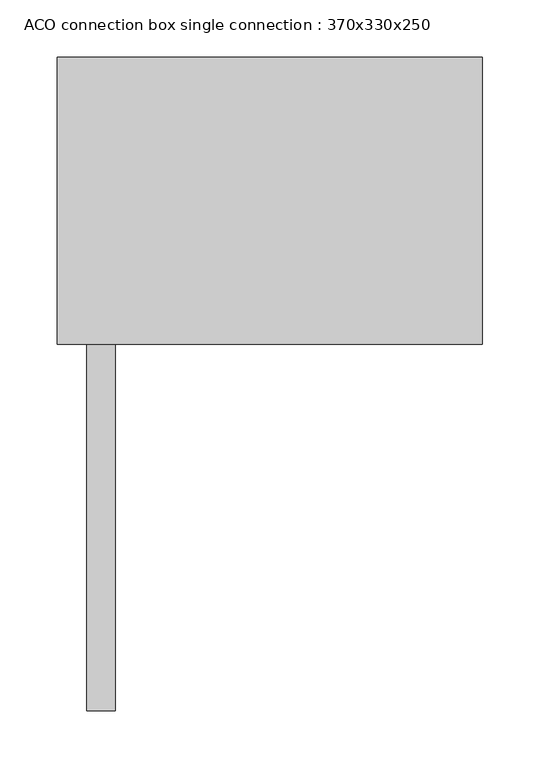
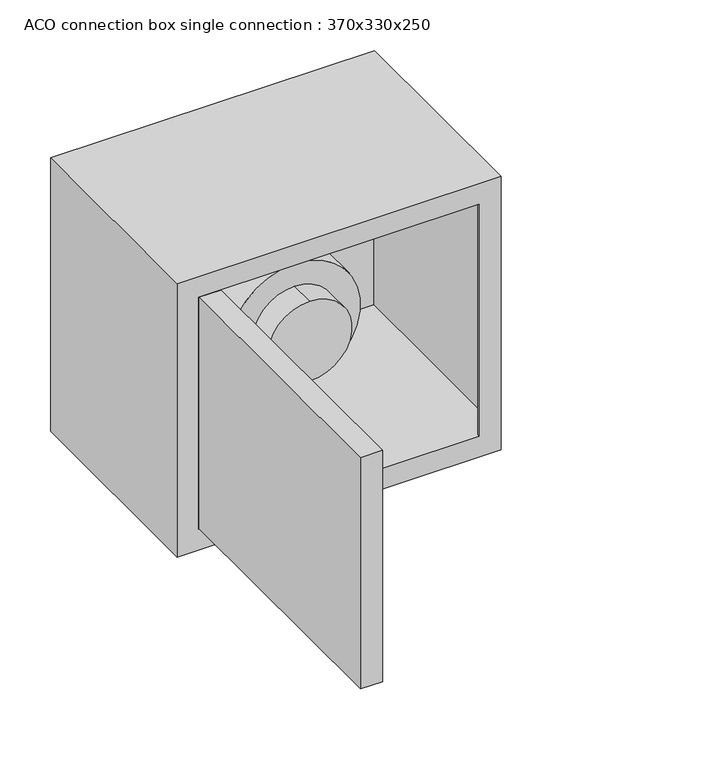
"""IFC4 building model written with IfcOpenShell, lengths in millimetres: furniture geometry, ACO connection box single connection : 370x330x250."""

import ifcopenshell
import ifcopenshell.guid

model = None  # the IFC model being written
_history = None  # IfcOwnerHistory: only IFC2X3 demands one
_inside = {}  # id of a spatial element -> (the spatial element, [elements in it])
_under = {}  # id of a project, library or spatial element -> (it, [spatial elements below it])
_declared = {}  # id of a project -> (the project, [libraries it declares])
_typed = {}  # id of a type object -> (the type object, [elements of that type])
_made_of = {}  # id of a material, layer set ... -> (it, [elements and type objects made of it])


def new_model(schema):
    """Start an empty IFC model of exactly this schema.

    Asked for "IFC4X3", IfcOpenShell would pick the latest addendum, in which some entities
    have other attributes; the version numbers below select the first issue.
    IFC2X3 requires an IfcOwnerHistory on every rooted entity: one is made here for all.
    """
    global model, _history
    if schema == "IFC4X3":
        model = ifcopenshell.file(schema_version=(4, 3, 0, 0))
    else:
        model = ifcopenshell.file(schema=schema)
    _inside.clear()
    _under.clear()
    _declared.clear()
    _typed.clear()
    _made_of.clear()
    _history = None
    if model.schema == "IFC2X3":
        org = make("IfcOrganization", Name="unknown")
        user = make(
            "IfcPersonAndOrganization",
            ThePerson=make("IfcPerson", FamilyName="unknown"),
            TheOrganization=org,
        )
        app = make(
            "IfcApplication",
            ApplicationDeveloper=org,
            Version="unknown",
            ApplicationFullName="unknown",
            ApplicationIdentifier="unknown",
        )
        _history = make(
            "IfcOwnerHistory",
            OwningUser=user,
            OwningApplication=app,
            ChangeAction="ADDED",
            CreationDate=0,
        )
    return model


def make(cls, **values):
    """One entity of the class cls with the attributes given. An attribute that is None is left unset."""
    return model.create_entity(
        cls, **{name: value for name, value in values.items() if value is not None}
    )


def rooted(cls, **values):
    """An entity with a GlobalId (a new one), such as an element, a storey or a relation."""
    return make(cls, GlobalId=ifcopenshell.guid.new(), OwnerHistory=_history, **values)


def si_unit(unit_type, name, prefix=None):
    """IfcSIUnit, for example si_unit("LENGTHUNIT", "METRE", prefix="MILLI")."""
    return make("IfcSIUnit", UnitType=unit_type, Prefix=prefix, Name=name)


def assignment(units):
    """IfcUnitAssignment: the units of a project."""
    return None if units is None else make("IfcUnitAssignment", Units=units)


def point(xyz):
    """IfcCartesianPoint."""
    return None if xyz is None else make("IfcCartesianPoint", Coordinates=xyz)


def direction(xyz):
    """IfcDirection."""
    return None if xyz is None else make("IfcDirection", DirectionRatios=xyz)


def frame(location, z_axis=None, x_axis=None):
    """IfcAxis2Placement3D, a coordinate frame: its origin and axes. An axis left out is left unset."""
    return make(
        "IfcAxis2Placement3D",
        Location=point(location),
        Axis=direction(z_axis),
        RefDirection=direction(x_axis),
    )


def frame_2d(location, x_axis=None):
    """IfcAxis2Placement2D, a coordinate frame in the plane: its origin and x axis."""
    return make(
        "IfcAxis2Placement2D", Location=point(location), RefDirection=direction(x_axis)
    )


def origin():
    """The frame at (0, 0, 0) with its axes left unset."""
    return frame((0.0, 0.0, 0.0))


def place(relative_to, where):
    """IfcLocalPlacement: puts the frame where relative to a parent placement (None: the world)."""
    return make(
        "IfcLocalPlacement", PlacementRelTo=relative_to, RelativePlacement=where
    )


def context(
    kind, dimensions, precision=None, world=None, true_north=None, identifier=None
):
    """IfcGeometricRepresentationContext, for example the 3D "Model" context."""
    return make(
        "IfcGeometricRepresentationContext",
        ContextIdentifier=identifier,
        ContextType=kind,
        CoordinateSpaceDimension=dimensions,
        Precision=precision,
        WorldCoordinateSystem=world,
        TrueNorth=true_north,
    )


def project(units=None, contexts=None):
    """IfcProject with its units and contexts."""
    return rooted(
        "IfcProject",
        Name="project",
        RepresentationContexts=contexts,
        UnitsInContext=assignment(units),
    )


def spatial(cls, under=None, at=None, **own):
    """A site, building, storey or space (cls), placed at a placement, below another one or the project."""
    s = rooted(cls, ObjectPlacement=at, **own)
    if under is not None:
        _under.setdefault(under.id(), (under, []))[1].append(s)
    return s


def polyline(points):
    """IfcPolyline through the points."""
    return make("IfcPolyline", Points=[point(p) for p in points])


def circle_curve(where, radius):
    """IfcCircle in the frame where."""
    return make("IfcCircle", Position=where, Radius=radius)


def trimmed(basis, trim1, trim2, sense, master):
    """IfcTrimmedCurve: the piece of a basis curve between two trims."""
    return make(
        "IfcTrimmedCurve",
        BasisCurve=basis,
        Trim1=trim1,
        Trim2=trim2,
        SenseAgreement=sense,
        MasterRepresentation=master,
    )


def segment(curve, same_sense, transition):
    """IfcCompositeCurveSegment."""
    return make(
        "IfcCompositeCurveSegment",
        Transition=transition,
        SameSense=same_sense,
        ParentCurve=curve,
    )


def composite_curve(segments, self_intersect=None):
    """IfcCompositeCurve: segments joined end to end."""
    return make("IfcCompositeCurve", Segments=segments, SelfIntersect=self_intersect)


def outline(outer, holes=None, kind="AREA"):
    """IfcArbitraryClosedProfileDef: a profile drawn as a closed curve; with holes, ...WithVoids."""
    if holes is None:
        return make("IfcArbitraryClosedProfileDef", ProfileType=kind, OuterCurve=outer)
    return make(
        "IfcArbitraryProfileDefWithVoids",
        ProfileType=kind,
        OuterCurve=outer,
        InnerCurves=holes,
    )


def extrude(swept, where, along, depth):
    """IfcExtrudedAreaSolid: the profile swept, set in the frame where, extruded along a direction by depth."""
    return make(
        "IfcExtrudedAreaSolid",
        SweptArea=swept,
        Position=where,
        ExtrudedDirection=direction(along),
        Depth=depth,
    )


def shape(context_of_items, identifier, shape_type, items):
    """IfcShapeRepresentation: the items that make up one representation, for example the "Body"."""
    return make(
        "IfcShapeRepresentation",
        ContextOfItems=context_of_items,
        RepresentationIdentifier=identifier,
        RepresentationType=shape_type,
        Items=items,
    )


def source(mapping_origin, context_of_items, identifier, shape_type, items):
    """IfcRepresentationMap: a shape defined once, which mapped items show again and again."""
    return make(
        "IfcRepresentationMap",
        MappingOrigin=mapping_origin,
        MappedRepresentation=shape(context_of_items, identifier, shape_type, items),
    )


def transform(
    local_origin,
    x_axis=None,
    y_axis=None,
    z_axis=None,
    scale=None,
    scale2=None,
    scale3=None,
    uniform=True,
):
    """IfcCartesianTransformationOperator3D, or its non-uniform kind. x_axis, y_axis, z_axis: its Axis1, 2, 3."""
    if uniform:
        return make(
            "IfcCartesianTransformationOperator3D",
            Axis1=direction(x_axis),
            Axis2=direction(y_axis),
            LocalOrigin=point(local_origin),
            Scale=scale,
            Axis3=direction(z_axis),
        )
    return make(
        "IfcCartesianTransformationOperator3DnonUniform",
        Axis1=direction(x_axis),
        Axis2=direction(y_axis),
        LocalOrigin=point(local_origin),
        Scale=scale,
        Axis3=direction(z_axis),
        Scale2=scale2,
        Scale3=scale3,
    )


def mapped(mapping_source, mapping_target):
    """IfcMappedItem: shows the shape of a source again, moved by a transform."""
    return make(
        "IfcMappedItem", MappingSource=mapping_source, MappingTarget=mapping_target
    )


def made_of(thing, what):
    """Note that an element or type object is made of a material, layer set ...; save() writes the relation."""
    if what is not None:
        _made_of.setdefault(what.id(), (what, []))[1].append(thing)
    return thing


def element(
    cls,
    number,
    at=None,
    inside=None,
    cuts=None,
    type_object=None,
    material=None,
    context=None,
    identifier="Body",
    shape_type=None,
    held_by="IfcProductDefinitionShape",
    body=None,
    shapes=None,
    **own,
):
    """One element of the class cls, such as IfcWall. Its Tag is "e" and its number.

    at: its placement. inside: the storey or other place that contains it. cuts: it is an
    opening in that element (IfcRelVoidsElement). A single representation is given by context,
    identifier, shape_type and body (its items); several are given by shapes. held_by: the class
    of the entity that holds the representations. save() writes the other relations.
    """
    e = rooted(cls, Tag="e%d" % number, ObjectPlacement=at, **own)
    if body is not None:
        shapes = [shape(context, identifier, shape_type, body)]
    if shapes is not None:
        e.Representation = make(held_by, Representations=shapes)
    if inside is not None:
        _inside.setdefault(inside.id(), (inside, []))[1].append(e)
    if cuts is not None:
        rooted(
            "IfcRelVoidsElement", RelatingBuildingElement=cuts, RelatedOpeningElement=e
        )
    if type_object is not None:
        _typed.setdefault(type_object.id(), (type_object, []))[1].append(e)
    return made_of(e, material)


def aggregate(whole, parts):
    """IfcRelAggregates: a whole, such as a stair, and the parts it consists of."""
    return rooted("IfcRelAggregates", RelatingObject=whole, RelatedObjects=parts)


def save(model, path):
    """Write the relations noted so far, then the file.

    IfcRelAggregates (storeys below a building ...), IfcRelContainedInSpatialStructure (elements
    in a storey), IfcRelDefinesByType, IfcRelAssociatesMaterial and IfcRelDeclares: one each for
    every whole, place, type object, material and project.
    """
    for whole, parts in _under.values():
        aggregate(whole, parts)
    for where, things in _inside.values():
        rooted(
            "IfcRelContainedInSpatialStructure",
            RelatedElements=things,
            RelatingStructure=where,
        )
    for kind, things in _typed.values():
        rooted("IfcRelDefinesByType", RelatedObjects=things, RelatingType=kind)
    for what, things in _made_of.values():
        rooted("IfcRelAssociatesMaterial", RelatedObjects=things, RelatingMaterial=what)
    for by, libraries in _declared.values():
        rooted("IfcRelDeclares", RelatingContext=by, RelatedDefinitions=libraries)
    model.write(path)


def plane_surface(at):
    """IfcPlane: the flat surface through the origin of the frame at, square to its z axis."""
    return make("IfcPlane", Position=at)


def cylinder_surface(at, radius):
    """IfcCylindricalSurface: all points at the distance radius from the z axis of the frame at."""
    return make("IfcCylindricalSurface", Position=at, Radius=radius)


def revolved_surface(curve, axis_point, axis_direction):
    """IfcSurfaceOfRevolution: the curve turned about the line through axis_point along axis_direction."""
    return make(
        "IfcSurfaceOfRevolution",
        SweptCurve=make("IfcArbitraryOpenProfileDef", ProfileType="CURVE", Curve=curve),
        AxisPosition=make("IfcAxis1Placement", Location=point(axis_point), Axis=direction(axis_direction)),
    )


def advanced_brep(points, edges, surfaces, faces):
    """IfcAdvancedBrep: a solid bounded by faces that lie on surfaces and meet in shared edges.

    An edge is (start, end): straight between two places in points (the first is 0);
    or (start, end, curve); or (start, end, curve, False) where it runs against its curve.
    A face is (place in surfaces, loops), or (place, loops, False) where it looks against
    its surface's normal. A loop lists edges by number (the first is 1), with a minus sign
    where the edge is run from its end to its start. The first loop is the outer one.
    """
    corners = [point(p) for p in points]
    vertices = [make("IfcVertexPoint", VertexGeometry=c) for c in corners]
    made = []
    for start, end, *more in edges:
        made.append(
            make(
                "IfcEdgeCurve",
                EdgeStart=vertices[start],
                EdgeEnd=vertices[end],
                EdgeGeometry=more[0] if more else make("IfcPolyline", Points=[corners[start], corners[end]]),
                SameSense=more[1] if len(more) > 1 else True,
            )
        )
    hull = []
    for where, loops, *sense in faces:
        bounds = []
        for j, loop in enumerate(loops):
            ring = [make("IfcOrientedEdge", EdgeElement=made[abs(k) - 1], Orientation=k > 0) for k in loop]
            bounds.append(
                make(
                    "IfcFaceOuterBound" if j == 0 else "IfcFaceBound",
                    Bound=make("IfcEdgeLoop", EdgeList=ring),
                    Orientation=True,
                )
            )
        hull.append(make("IfcAdvancedFace", Bounds=bounds, FaceSurface=surfaces[where], SameSense=sense[0] if sense else True))
    return make("IfcAdvancedBrep", Outer=make("IfcClosedShell", CfsFaces=hull))


def aco_connection_box_single_connection_370x330x250_330b71c9(model_context):
    return source(origin(), model_context, "Body", "SolidModel", [
        extrude(outline(composite_curve([segment(trimmed(circle_curve(frame_2d((175.0, -10.0)), 25.0), [point((150.0, -10.0))], [point((200.0, -10.0))], False, "CARTESIAN"), True, "CONTINUOUS"), segment(trimmed(circle_curve(frame_2d((175.0, -10.0)), 25.0), [point((200.0, -10.0))], [point((150.0, -10.0))], False, "CARTESIAN"), True, "CONTINUOUS")], self_intersect=False)), frame((0.0, 148.0, 0.0), z_axis=(0.0, 1.0, 0.0), x_axis=(0.0, 0.0, 1.0)), (0.0, 0.0, 1.0), 102.0),
        advanced_brep(
        [(-10.0, 148.0, 127.0), (-10.0, 148.0, 223.0), (-10.0, 40.0, 127.0), (-10.0, 40.0, 223.0), (-10.0, 118.0, 223.0), (-10.0, 118.0, 127.0), (-10.0, 70.0, 127.0), (-10.0, 70.0, 223.0), (-10.0, 118.0, 100.0), (-10.0, 118.0, 250.0), (-10.0, 70.0, 100.0), (-10.0, 70.0, 250.0)],
        [
            (0, 1, circle_curve(frame((-10.0, 148.0, 175.0), z_axis=(0.0, 1.0, 0.0), x_axis=(0.0, 0.0, 1.0)), 48.0)),
            (1, 0, circle_curve(frame((-10.0, 148.0, 175.0), z_axis=(0.0, 1.0, 0.0), x_axis=(0.0, 0.0, 1.0)), 48.0)),
            (2, 3, circle_curve(frame((-10.0, 40.0, 175.0), z_axis=(0.0, -1.0, 0.0), x_axis=(0.0, 0.0, 1.0)), 48.0)),
            (3, 2, circle_curve(frame((-10.0, 40.0, 175.0), z_axis=(0.0, -1.0, 0.0), x_axis=(0.0, 0.0, 1.0)), 48.0)),
            (1, 4),
            (4, 5, circle_curve(frame((-10.0, 118.0, 175.0), z_axis=(0.0, 1.0, 0.0), x_axis=(0.0, 0.0, 1.0)), 48.0)),
            (5, 0),
            (2, 6),
            (6, 7, circle_curve(frame((-10.0, 70.0, 175.0), z_axis=(0.0, -1.0, 0.0), x_axis=(0.0, 0.0, 1.0)), 48.0)),
            (7, 3),
            (5, 4, circle_curve(frame((-10.0, 118.0, 175.0), z_axis=(0.0, 1.0, 0.0), x_axis=(0.0, 0.0, 1.0)), 48.0)),
            (7, 6, circle_curve(frame((-10.0, 70.0, 175.0), z_axis=(0.0, -1.0, 0.0), x_axis=(0.0, 0.0, 1.0)), 48.0)),
            (8, 9, circle_curve(frame((-10.0, 118.0, 175.0), z_axis=(0.0, 1.0, 0.0), x_axis=(0.0, 0.0, 1.0)), 75.0)),
            (9, 8, circle_curve(frame((-10.0, 118.0, 175.0), z_axis=(0.0, 1.0, 0.0), x_axis=(0.0, 0.0, 1.0)), 75.0)),
            (10, 11, circle_curve(frame((-10.0, 70.0, 175.0), z_axis=(0.0, -1.0, 0.0), x_axis=(0.0, 0.0, 1.0)), 75.0)),
            (11, 10, circle_curve(frame((-10.0, 70.0, 175.0), z_axis=(0.0, -1.0, 0.0), x_axis=(0.0, 0.0, 1.0)), 75.0)),
            (9, 11),
            (10, 8),
        ],
        [
            plane_surface(frame((-10.0, 148.0, 223.0), z_axis=(0.0, 1.0, 0.0), x_axis=(1.0, 0.0, 0.0))),
            plane_surface(frame((-10.0, 40.0, 223.0), z_axis=(0.0, -1.0, 0.0), x_axis=(-1.0, 0.0, 0.0))),
            cylinder_surface(frame((-10.0, 148.0, 175.0), z_axis=(0.0, -1.0, 0.0), x_axis=(0.0, 0.0, 1.0)), 48.0),
            plane_surface(frame((-10.0, 118.0, 250.0), z_axis=(0.0, 1.0, 0.0), x_axis=(1.0, 0.0, 0.0))),
            plane_surface(frame((-10.0, 70.0, 250.0), z_axis=(0.0, -1.0, 0.0), x_axis=(-1.0, 0.0, 0.0))),
            cylinder_surface(frame((-10.0, 118.0, 175.0), z_axis=(0.0, -1.0, 0.0), x_axis=(0.0, 0.0, 1.0)), 75.0),
        ],
        [
            (0, [[1, 2]]),
            (1, [[3, 4]]),
            (2, [[-2, 5, 6, 7]]),
            (2, [[-3, 8, 9, 10]]),
            (2, [[-1, -7, 11, -5]]),
            (2, [[-4, -10, 12, -8]]),
            (3, [[13, 14], [-6, -11]]),
            (4, [[15, 16], [-9, -12]]),
            (5, [[-14, 17, -15, 18]]),
            (5, [[-13, -18, -16, -17]]),
        ],
    ),
        extrude(outline(polyline([(-159.5, -319.0), (-159.5, 0.0), (-134.5, 0.0), (-134.5, -319.0), (-159.5, -319.0)])), frame((0.0, 0.0, 25.5), z_axis=(0.0, 0.0, 1.0), x_axis=(1.0, 0.0, 0.0)), (0.0, 0.0, 1.0), 279.0),
        advanced_brep(
        [(185.0, 250.0, 330.0), (-185.0, 250.0, 330.0), (-185.0, 0.0, 330.0), (185.0, 0.0, 330.0), (185.0, 250.0, 0.0), (185.0, 0.0, 0.0), (-185.0, 0.0, 0.0), (-185.0, 250.0, 0.0), (-56.0, 250.0, 175.0), (36.0, 250.0, 175.0), (70.0, 250.0, 175.0), (110.0, 250.0, 175.0), (-160.0, 0.0, 305.0), (160.0, 0.0, 305.0), (160.0, 0.0, 25.0), (-160.0, 0.0, 25.0), (183.0, 248.0, 305.0), (183.0, 2.0, 305.0), (160.0, 2.0, 305.0), (-160.0, 2.0, 305.0), (-183.0, 2.0, 305.0), (-183.0, 248.0, 305.0), (183.0, 248.0, 25.0), (-183.0, 248.0, 25.0), (-183.0, 2.0, 25.0), (-160.0, 2.0, 25.0), (160.0, 2.0, 25.0), (183.0, 2.0, 25.0), (36.0, 248.0, 175.0), (-56.0, 248.0, 175.0), (110.0, 248.0, 175.0), (70.0, 248.0, 175.0)],
        [
            (0, 1),
            (1, 2),
            (2, 3),
            (3, 0),
            (4, 5),
            (5, 6),
            (6, 7),
            (7, 4),
            (0, 4),
            (7, 1),
            (8, 9, circle_curve(frame((-10.0, 250.0, 175.0), z_axis=(0.0, -1.0, 0.0), x_axis=(1.0, 0.0, 0.0)), 46.0)),
            (9, 8, circle_curve(frame((-10.0, 250.0, 175.0), z_axis=(0.0, -1.0, 0.0), x_axis=(1.0, 0.0, 0.0)), 46.0)),
            (10, 11, circle_curve(frame((90.0, 250.0, 175.0), z_axis=(0.0, -1.0, 0.0), x_axis=(1.0, 0.0, 0.0)), 20.0)),
            (11, 10, circle_curve(frame((90.0, 250.0, 175.0), z_axis=(0.0, -1.0, 0.0), x_axis=(1.0, 0.0, 0.0)), 20.0)),
            (6, 2),
            (5, 3),
            (12, 13),
            (13, 14),
            (14, 15),
            (15, 12),
            (16, 17),
            (17, 18),
            (18, 13),
            (12, 19),
            (19, 20),
            (20, 21),
            (21, 16),
            (22, 23),
            (23, 24),
            (24, 25),
            (25, 15),
            (14, 26),
            (26, 27),
            (27, 22),
            (21, 23),
            (22, 16),
            (28, 29, circle_curve(frame((-10.0, 248.0, 175.0), z_axis=(0.0, 1.0, 0.0), x_axis=(1.0, 0.0, 0.0)), 46.0)),
            (29, 28, circle_curve(frame((-10.0, 248.0, 175.0), z_axis=(0.0, 1.0, 0.0), x_axis=(1.0, 0.0, 0.0)), 46.0)),
            (30, 31, circle_curve(frame((90.0, 248.0, 175.0), z_axis=(0.0, 1.0, 0.0), x_axis=(1.0, 0.0, 0.0)), 20.0)),
            (31, 30, circle_curve(frame((90.0, 248.0, 175.0), z_axis=(0.0, 1.0, 0.0), x_axis=(1.0, 0.0, 0.0)), 20.0)),
            (27, 17),
            (20, 24),
            (19, 25),
            (18, 26),
            (28, 9),
            (8, 29),
            (30, 11),
            (10, 31),
        ],
        [
            plane_surface(frame((-185.0, 250.0, 330.0), z_axis=(0.0, 0.0, 1.0), x_axis=(-1.0, 0.0, 0.0))),
            plane_surface(frame((-185.0, 250.0, 0.0), z_axis=(0.0, 0.0, -1.0), x_axis=(1.0, 0.0, 0.0))),
            plane_surface(frame((185.0, 250.0, 330.0), z_axis=(0.0, 1.0, 0.0), x_axis=(0.0, 0.0, -1.0))),
            plane_surface(frame((-185.0, 250.0, 330.0), z_axis=(-1.0, 0.0, 0.0), x_axis=(0.0, 0.0, -1.0))),
            plane_surface(frame((-185.0, 0.0, 330.0), z_axis=(0.0, -1.0, 0.0), x_axis=(0.0, 0.0, -1.0))),
            plane_surface(frame((185.0, 0.0, 330.0), z_axis=(1.0, 0.0, 0.0), x_axis=(0.0, 0.0, -1.0))),
            plane_surface(frame((-183.0, 248.0, 305.0), z_axis=(0.0, 0.0, -1.0), x_axis=(-1.0, 0.0, 0.0))),
            plane_surface(frame((-183.0, 248.0, 25.0), z_axis=(0.0, 0.0, 1.0), x_axis=(1.0, 0.0, 0.0))),
            plane_surface(frame((183.0, 248.0, 305.0), z_axis=(0.0, -1.0, 0.0), x_axis=(0.0, 0.0, -1.0))),
            plane_surface(frame((183.0, 2.0, 305.0), z_axis=(-1.0, 0.0, 0.0), x_axis=(0.0, 0.0, -1.0))),
            plane_surface(frame((-183.0, 248.0, 305.0), z_axis=(1.0, 0.0, 0.0), x_axis=(0.0, 0.0, -1.0))),
            plane_surface(frame((-183.0, 2.0, 305.0), z_axis=(0.0, 1.0, 0.0), x_axis=(0.0, 0.0, -1.0))),
            plane_surface(frame((-160.0, 2.0, 305.0), z_axis=(1.0, 0.0, 0.0), x_axis=(0.0, 0.0, -1.0))),
            plane_surface(frame((160.0, 0.0, 305.0), z_axis=(-1.0, 0.0, 0.0), x_axis=(0.0, 0.0, -1.0))),
            plane_surface(frame((160.0, 2.0, 305.0), z_axis=(0.0, 1.0, 0.0), x_axis=(0.0, 0.0, -1.0))),
            revolved_surface(polyline([(36.0, 248.0, 175.0), (36.0, 250.0, 175.0)]), (-10.0, 250.0, 175.0), (0.0, -1.0, 0.0)),
            revolved_surface(polyline([(110.0, 248.0, 175.0), (110.0, 250.0, 175.0)]), (90.0, 250.0, 175.0), (0.0, -1.0, 0.0)),
        ],
        [
            (0, [[1, 2, 3, 4]]),
            (1, [[5, 6, 7, 8]]),
            (2, [[-1, 9, -8, 10], [11, 12], [13, 14]]),
            (3, [[-2, -10, -7, 15]]),
            (4, [[-3, -15, -6, 16], [17, 18, 19, 20]]),
            (5, [[-4, -16, -5, -9]]),
            (6, [[21, 22, 23, -17, 24, 25, 26, 27]]),
            (7, [[28, 29, 30, 31, -19, 32, 33, 34]]),
            (8, [[-27, 35, -28, 36], [37, 38], [39, 40]]),
            (9, [[-21, -36, -34, 41]]),
            (10, [[-26, 42, -29, -35]]),
            (11, [[-25, 43, -30, -42]]),
            (12, [[-24, -20, -31, -43]]),
            (13, [[-23, 44, -32, -18]]),
            (14, [[-22, -41, -33, -44]]),
            (15, [[45, -11, 46, -37]]),
            (15, [[-45, -38, -46, -12]]),
            (16, [[47, -13, 48, -39]]),
            (16, [[-47, -40, -48, -14]]),
        ],
    ),
    ])


if __name__ == "__main__":
    model = new_model("IFC4")
    model_context = context("Model", 3, world=origin())
    ifc_project = project(units=[si_unit("LENGTHUNIT", "METRE", prefix="MILLI")], contexts=[model_context])
    site = spatial("IfcSite", under=ifc_project)
    building = spatial("IfcBuilding", under=site)
    placement = place(None, origin())
    aco_connection_box_single_connection_370x330x250_shape = aco_connection_box_single_connection_370x330x250_330b71c9(model_context)
    element("IfcFurniture", 1, ObjectType="ACO connection box single connection : 370x330x250", at=placement, inside=building, context=model_context, shape_type="MappedRepresentation", body=[
        mapped(aco_connection_box_single_connection_370x330x250_shape, transform((0.0, 0.0, 0.0), x_axis=(1.0, 0.0, 0.0), y_axis=(0.0, 1.0, 0.0), z_axis=(0.0, 0.0, 1.0))),
    ])
    save(model, "model.ifc")
